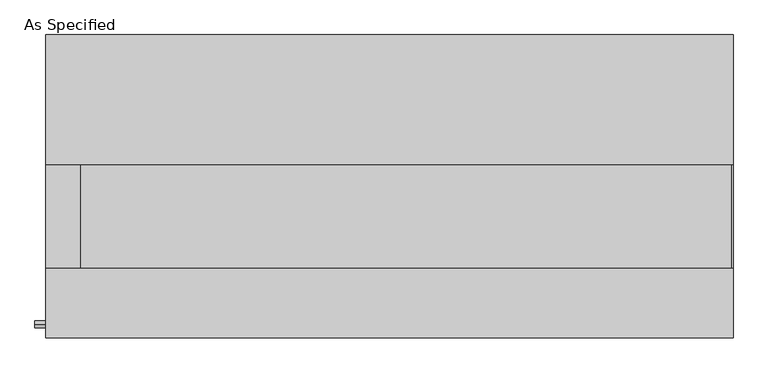
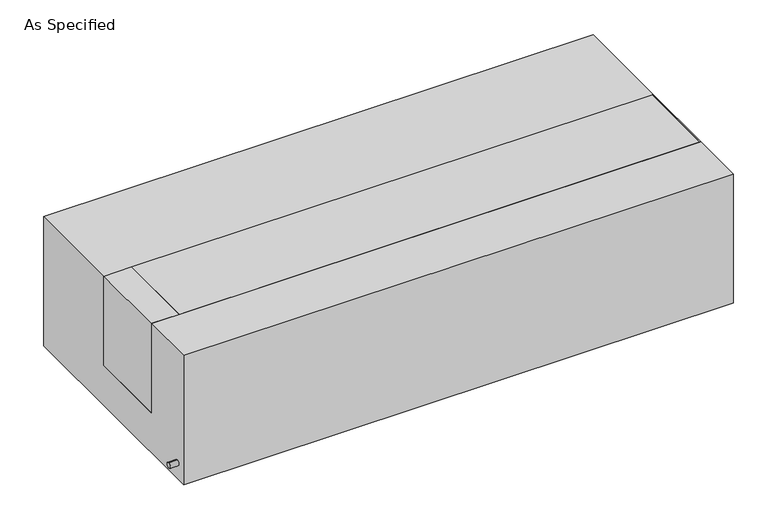
"""IFC4 building model written with IfcOpenShell, lengths in millimetres: proxy geometry, As Specified."""

from ifc_helpers import new_model, si_unit, point, frame, frame_2d, origin, place, context, project, spatial, polyline, circle_curve, trimmed, segment, composite_curve, outline, extrude, source, transform, mapped, element, save


def as_specified_a3ecca88(model_context):
    return source(origin(), model_context, "Body", "SweptSolid", [
        extrude(outline(composite_curve([segment(trimmed(circle_curve(frame_2d((-407.9875, -466.725)), 10.5), [point((-407.9875, -456.225))], [point((-407.9875, -477.225))], False, "CARTESIAN"), True, "CONTINUOUS"), segment(trimmed(circle_curve(frame_2d((-407.9875, -466.725)), 10.5), [point((-407.9875, -477.225))], [point((-407.9875, -456.225))], False, "CARTESIAN"), True, "CONTINUOUS")], self_intersect=False)), frame((-1046.2528384, 0.0, 0.0), z_axis=(1.0, 0.0, 0.0), x_axis=(0.0, 1.0, 0.0)), (0.0, 0.0, 1.0), 31.8403384),
        extrude(outline(polyline([(-912.01875, 63.5), (-912.01875, -241.3), (-1014.4125, -241.3), (-1014.4125, 63.5), (-912.01875, 63.5)])), frame((0.0, 0.0, -373.0625), z_axis=(0.0, 0.0, 1.0), x_axis=(1.0, 0.0, 0.0)), (0.0, 0.0, 1.0), 347.6625),
        extrude(outline(polyline([(1010.44375, 63.5), (1014.4125, 63.5), (1014.4125, -241.3), (1010.44375, -241.3), (1010.44375, 63.5)])), frame((0.0, 0.0, -39.6875), z_axis=(0.0, 0.0, 1.0), x_axis=(1.0, 0.0, 0.0)), (0.0, 0.0, 1.0), 14.2875),
        extrude(outline(polyline([(1014.4125, 63.5), (1014.4125, -241.3), (-912.01875, -241.3), (-912.01875, 63.5), (1014.4125, 63.5)])), frame((0.0, 0.0, -373.0625), z_axis=(0.0, 0.0, 1.0), x_axis=(1.0, 0.0, 0.0)), (0.0, 0.0, 1.0), 347.6625),
        extrude(outline(polyline([(447.675, -25.4), (447.675, -530.225), (-447.675, -530.225), (-447.675, -25.4), (-241.3, -25.4), (-241.3, -373.0625), (63.5, -373.0625), (63.5, -25.4), (447.675, -25.4)])), frame((-1014.4125, 0.0, 0.0), z_axis=(1.0, 0.0, 0.0), x_axis=(0.0, 1.0, 0.0)), (0.0, 0.0, 1.0), 2028.825),
    ])


if __name__ == "__main__":
    model = new_model("IFC4")
    model_context = context("Model", 3, world=origin())
    ifc_project = project(units=[si_unit("LENGTHUNIT", "METRE", prefix="MILLI")], contexts=[model_context])
    site = spatial("IfcSite", under=ifc_project)
    building = spatial("IfcBuilding", under=site)
    placement = place(None, origin())
    as_specified_shape = as_specified_a3ecca88(model_context)
    element("IfcBuildingElementProxy", 1, Name="As Specified", ObjectType="As Specified", at=placement, inside=building, context=model_context, shape_type="MappedRepresentation", body=[
        mapped(as_specified_shape, transform((0.0, 0.0, 0.0), x_axis=(1.0, 0.0, 0.0), y_axis=(0.0, 1.0, 0.0), z_axis=(0.0, 0.0, 1.0))),
    ])
    save(model, "model.ifc")
